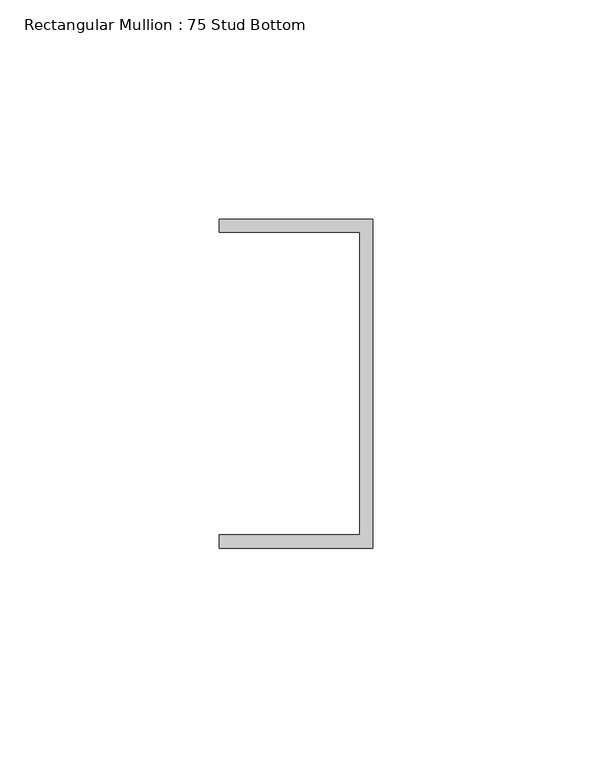
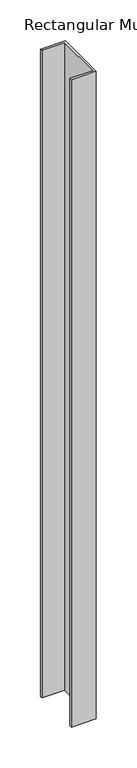
"""IFC4 building model written with IfcOpenShell, lengths in millimetres: member geometry, Rectangular Mullion : 75 Stud Bottom."""

from ifc_helpers import new_model, si_unit, frame, origin, place, context, project, spatial, polyline, outline, extrude, source, transform, mapped, element, save


def rectangular_mullion_75_stud_bottom_b700d55a(model_context):
    return source(origin(), model_context, "Body", "SweptSolid", [
        extrude(outline(polyline([(0.0, -37.5), (-35.0, -37.5), (-35.0, -34.5), (-3.0, -34.5), (-3.0, 34.5), (-35.0, 34.5), (-35.0, 37.5), (0.0, 37.5), (0.0, -37.5)])), frame((0.0, 0.0, -965.0), z_axis=(0.0, 0.0, 1.0), x_axis=(1.0, 0.0, 0.0)), (0.0, 0.0, 1.0), 965.0),
    ])


if __name__ == "__main__":
    model = new_model("IFC4")
    model_context = context("Model", 3, world=origin())
    ifc_project = project(units=[si_unit("LENGTHUNIT", "METRE", prefix="MILLI")], contexts=[model_context])
    site = spatial("IfcSite", under=ifc_project)
    building = spatial("IfcBuilding", under=site)
    placement = place(None, origin())
    rectangular_mullion_75_stud_bottom_shape = rectangular_mullion_75_stud_bottom_b700d55a(model_context)
    element("IfcMember", 1, ObjectType="Rectangular Mullion : 75 Stud Bottom", at=placement, inside=building, context=model_context, shape_type="MappedRepresentation", body=[
        mapped(rectangular_mullion_75_stud_bottom_shape, transform((0.0, 0.0, 0.0), x_axis=(1.0, 0.0, 0.0), y_axis=(0.0, 1.0, 0.0), z_axis=(0.0, 0.0, 1.0))),
    ])
    save(model, "model.ifc")
